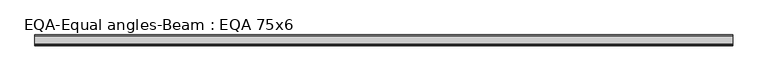
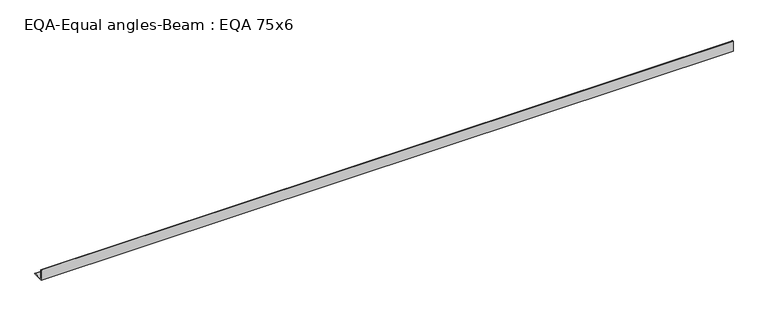
"""IFC4 building model written with IfcOpenShell, lengths in millimetres: beam geometry, EQA-Equal angles-Beam : EQA 75x6."""

from ifc_helpers import new_model, si_unit, point, frame, frame_2d, origin, place, context, project, spatial, polyline, circle_curve, trimmed, segment, composite_curve, outline, extrude, source, transform, mapped, element, save


def eqa_equal_angles_beam_eqa_75x6_7a8a3d9b(model_context):
    return source(origin(), model_context, "Body", "SweptSolid", [
        extrude(outline(composite_curve([segment(polyline([(-20.5, -20.5), (-20.5, 54.5), (-19.0, 54.5)]), True, "CONTINUOUS"), segment(trimmed(circle_curve(frame_2d((-19.0, 50.0)), 4.5), [point((-19.0, 54.5))], [point((-14.5, 50.0))], False, "CARTESIAN"), True, "CONTINUOUS"), segment(polyline([(-14.5, 50.0), (-14.5, -5.5)]), True, "CONTINUOUS"), segment(trimmed(circle_curve(frame_2d((-5.5, -5.5)), 9.0), [point((-14.5, -5.5))], [point((-5.5, -14.5))], True, "CARTESIAN"), True, "CONTINUOUS"), segment(polyline([(-5.5, -14.5), (50.0, -14.5)]), True, "CONTINUOUS"), segment(trimmed(circle_curve(frame_2d((50.0, -19.0)), 4.5), [point((50.0, -14.5))], [point((54.5, -19.0))], False, "CARTESIAN"), True, "CONTINUOUS"), segment(polyline([(54.5, -19.0), (54.5, -20.5), (-20.5, -20.5)]), True, "CONTINUOUS")], self_intersect=False)), frame((-2385.4067753, 0.0, 0.0), z_axis=(1.0, 0.0, 0.0), x_axis=(0.0, 1.0, 0.0)), (0.0, 0.0, 1.0), 4766.1679187),
    ])


if __name__ == "__main__":
    model = new_model("IFC4")
    model_context = context("Model", 3, world=origin())
    ifc_project = project(units=[si_unit("LENGTHUNIT", "METRE", prefix="MILLI")], contexts=[model_context])
    site = spatial("IfcSite", under=ifc_project)
    building = spatial("IfcBuilding", under=site)
    placement = place(None, origin())
    eqa_equal_angles_beam_eqa_75x6_shape = eqa_equal_angles_beam_eqa_75x6_7a8a3d9b(model_context)
    element("IfcBeam", 1, ObjectType="EQA-Equal angles-Beam : EQA 75x6", at=placement, inside=building, context=model_context, shape_type="MappedRepresentation", body=[
        mapped(eqa_equal_angles_beam_eqa_75x6_shape, transform((0.0, 0.0, 0.0), x_axis=(1.0, 0.0, 0.0), y_axis=(0.0, 1.0, 0.0), z_axis=(0.0, 0.0, 1.0))),
    ])
    save(model, "model.ifc")
